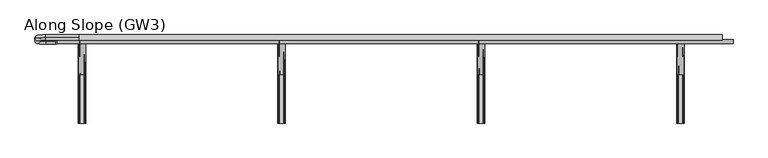
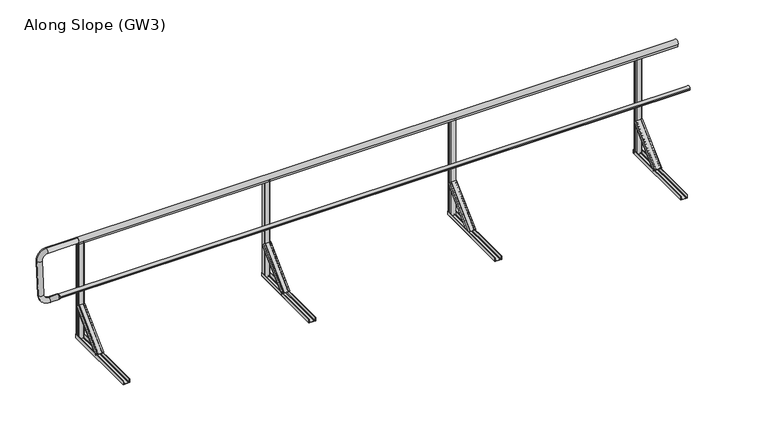
"""IFC4 building model written with IfcOpenShell, lengths in millimetres: railing geometry, Along Slope (GW3)."""

from ifc_helpers import new_model, si_unit, point, frame, frame_2d, origin, origin_with_axes, place, context, project, spatial, polyline, circle_curve, ellipse_curve, trimmed, segment, composite_curve, outline, extrude, source, transform, mapped, element, save
from ifc_brep_helpers import plane_surface, cylinder_surface, revolved_surface, extruded_surface, advanced_brep


def along_slope_gw3_0c4a8697(model_context):
    return source(origin(), model_context, "Body", "SolidModel", [
        extrude(outline(composite_curve([segment(polyline([(3634.3333333, 800.0), (3680.3333333, 800.0)]), True, "CONTINUOUS"), segment(trimmed(circle_curve(frame_2d((3680.3333333, 795.0)), 5.0), [point((3680.3333333, 800.0))], [point((3685.3333333, 795.0))], False, "CARTESIAN"), True, "CONTINUOUS"), segment(polyline([(3685.3333333, 795.0), (3685.3333333, 767.0)]), True, "CONTINUOUS"), segment(trimmed(circle_curve(frame_2d((3680.3333333, 767.0)), 5.0), [point((3685.3333333, 767.0))], [point((3680.3333333, 762.0))], False, "CARTESIAN"), True, "CONTINUOUS"), segment(polyline([(3680.3333333, 762.0), (3634.3333333, 762.0)]), True, "CONTINUOUS"), segment(trimmed(circle_curve(frame_2d((3634.3333333, 767.0)), 5.0), [point((3634.3333333, 762.0))], [point((3629.3333333, 767.0))], False, "CARTESIAN"), True, "CONTINUOUS"), segment(polyline([(3629.3333333, 767.0), (3629.3333333, 795.0)]), True, "CONTINUOUS"), segment(trimmed(circle_curve(frame_2d((3634.3333333, 795.0)), 5.0), [point((3629.3333333, 795.0))], [point((3634.3333333, 800.0))], False, "CARTESIAN"), True, "CONTINUOUS")], self_intersect=False)), frame((0.0, 0.0, 1e-07), z_axis=(0.0, 0.0, 1.0), x_axis=(1.0, 0.0, 0.0)), (0.0, 0.0, 1.0), 998.0),
        advanced_brep(
        [(3692.8333333, 443.7912606, 38.0000001), (3627.8333333, 443.7912606, 38.0000001), (3627.8333333, 469.6006581, 12.1906026), (3630.8333333, 469.6006581, 12.1906026), (3630.8333333, 445.9125809, 35.8786797), (3640.8333333, 445.9125809, 35.8786797), (3640.8333333, 447.6803479, 34.1109128), (3641.8333333, 447.6803479, 34.1109128), (3641.8333333, 445.9125809, 35.8786797), (3678.8333333, 445.9125809, 35.8786797), (3678.8333333, 447.6803479, 34.1109128), (3679.8333333, 447.6803479, 34.1109128), (3679.8333333, 445.9125809, 35.8786797), (3689.8333333, 445.9125809, 35.8786797), (3689.8333333, 469.6006581, 12.1906026), (3692.8333333, 469.6006581, 12.1906026), (3689.8333333, 761.9893121, 356.1980516), (3689.8333333, 787.7987096, 330.3886541), (3686.8333333, 787.7987096, 330.3886541), (3686.8333333, 764.1106324, 354.0767313), (3676.8333333, 764.1106324, 354.0767313), (3676.8333333, 765.8783994, 352.3089643), (3675.8333333, 765.8783994, 352.3089643), (3675.8333333, 764.1106324, 354.0767313), (3638.8333333, 764.1106324, 354.0767313), (3638.8333333, 765.8783994, 352.3089643), (3637.8333333, 765.8783994, 352.3089643), (3637.8333333, 764.1106324, 354.0767313), (3627.8333333, 764.1106324, 354.0767313), (3627.8333333, 787.7987096, 330.3886541), (3624.8333333, 787.7987096, 330.3886541), (3624.8333333, 761.9893121, 356.1980516)],
        [
            (0, 1),
            (1, 2),
            (2, 3, circle_curve(frame((3629.3333333, 469.6006581, 12.1906026), z_axis=(0.0, -0.7071067811865529, -0.7071067811865422), x_axis=(0.0, 0.7071067811865422, -0.7071067811865529)), 1.5)),
            (3, 4),
            (4, 5),
            (5, 6),
            (6, 7, circle_curve(frame((3641.3333333, 447.6803479, 34.1109128), z_axis=(0.0, -0.7071067811865529, -0.7071067811865422), x_axis=(0.0, 0.7071067811865422, -0.7071067811865529)), 0.5)),
            (7, 8),
            (8, 9),
            (9, 10),
            (10, 11, circle_curve(frame((3679.3333333, 447.6803479, 34.1109128), z_axis=(0.0, -0.7071067811865529, -0.7071067811865422), x_axis=(0.0, 0.7071067811865422, -0.7071067811865529)), 0.5)),
            (11, 12),
            (12, 13),
            (13, 14),
            (14, 15, circle_curve(frame((3691.3333333, 469.6006581, 12.1906026), z_axis=(0.0, -0.7071067811865529, -0.7071067811865422), x_axis=(0.0, 0.7071067811865422, -0.7071067811865529)), 1.5)),
            (15, 0),
            (16, 17),
            (17, 18, circle_curve(frame((3688.3333333, 787.7987096, 330.3886541), z_axis=(0.0, 0.7071067811865529, 0.7071067811865422), x_axis=(0.0, 0.7071067811865422, -0.7071067811865529)), 1.5)),
            (18, 19),
            (19, 20),
            (20, 21),
            (21, 22, circle_curve(frame((3676.3333333, 765.8783994, 352.3089643), z_axis=(0.0, 0.7071067811865529, 0.7071067811865422), x_axis=(0.0, 0.7071067811865422, -0.7071067811865529)), 0.5)),
            (22, 23),
            (23, 24),
            (24, 25),
            (25, 26, circle_curve(frame((3638.3333333, 765.8783994, 352.3089643), z_axis=(0.0, 0.7071067811865529, 0.7071067811865422), x_axis=(0.0, 0.7071067811865422, -0.7071067811865529)), 0.5)),
            (26, 27),
            (27, 28),
            (28, 29),
            (29, 30, circle_curve(frame((3626.3333333, 787.7987096, 330.3886541), z_axis=(0.0, 0.7071067811865529, 0.7071067811865422), x_axis=(0.0, 0.7071067811865422, -0.7071067811865529)), 1.5)),
            (30, 31),
            (31, 16),
            (16, 0),
            (15, 17),
            (14, 18),
            (13, 19),
            (12, 20),
            (11, 21),
            (10, 22),
            (9, 23),
            (8, 24),
            (7, 25),
            (6, 26),
            (5, 27),
            (4, 28),
            (3, 29),
            (2, 30),
            (1, 31),
        ],
        [
            plane_surface(frame((3660.3333333, 452.0113769, 29.7798837), z_axis=(0.0, -0.7071067811865528, -0.7071067811865424), x_axis=(0.0, 0.7071067811865424, -0.7071067811865528))),
            plane_surface(frame((3657.3333333, 770.2094284, 347.9779353), z_axis=(0.0, 0.7071067811865528, 0.7071067811865422), x_axis=(0.0, 0.7071067811865422, -0.7071067811865528))),
            plane_surface(frame((3689.8333333, 774.8940109, 343.2933529), z_axis=(0.9999777785184911, 0.004713940454846682, 0.004713940454842173), x_axis=(0.0, 0.7071067811865424, -0.7071067811865528))),
            extruded_surface(trimmed(circle_curve(frame((3691.3333333, 469.6006581, 12.1906026), z_axis=(0.0, 0.7071067811865529, 0.7071067811865422), x_axis=(0.0, 0.7071067811865422, -0.7071067811865529)), 1.5), [point((3692.8333333, 469.6006581, 12.1906026))], [point((3689.8333333, 469.6006581, 12.1906026))], True, "CARTESIAN"), (-3.0, 318.1980515000001, 318.1980515), 450.0099998408851),
            plane_surface(frame((3686.8333333, 775.954671, 342.2326927), z_axis=(-0.9999777785184913, -0.004713940454846682, -0.004713940454842174), x_axis=(0.0, -0.7071067811865425, 0.7071067811865528))),
            plane_surface(frame((3681.8333333, 764.1106324, 354.0767313), z_axis=(0.0, 0.7071067811865427, -0.7071067811865523), x_axis=(-1.0, 0.0, 0.0))),
            plane_surface(frame((3676.8333333, 764.9945159, 353.1928478), z_axis=(0.9999777785184911, 0.0047139404548466575, 0.0047139404548422), x_axis=(0.0, 0.7071067811865461, -0.7071067811865489))),
            extruded_surface(trimmed(circle_curve(frame((3679.3333333, 447.6803479, 34.1109128), z_axis=(0.0, 0.7071067811865529, 0.7071067811865422), x_axis=(0.0, 0.7071067811865422, -0.7071067811865529)), 0.5), [point((3679.8333333, 447.6803479, 34.1109128))], [point((3678.8333333, 447.6803479, 34.1109128))], True, "CARTESIAN"), (-3.0, 318.1980515, 318.1980515), 450.00999984088503),
            plane_surface(frame((3675.8333333, 764.9945159, 353.1928478), z_axis=(-0.9999777785184911, -0.004713940454846672, -0.004713940454842214), x_axis=(0.0, -0.7071067811865461, 0.7071067811865489))),
            plane_surface(frame((3657.3333333, 764.1106324, 354.0767313), z_axis=(0.0, 0.7071067811865427, -0.7071067811865523), x_axis=(-1.0, 0.0, 0.0))),
            plane_surface(frame((3638.8333333, 764.9945159, 353.1928478), z_axis=(0.9999777785184911, 0.0047139404548466645, 0.004713940454842207), x_axis=(0.0, 0.7071067811865461, -0.7071067811865489))),
            extruded_surface(trimmed(circle_curve(frame((3641.3333333, 447.6803479, 34.1109128), z_axis=(0.0, 0.7071067811865529, 0.7071067811865422), x_axis=(0.0, 0.7071067811865422, -0.7071067811865529)), 0.5), [point((3641.8333333, 447.6803479, 34.1109128))], [point((3640.8333333, 447.6803479, 34.1109128))], True, "CARTESIAN"), (-3.0, 318.1980515, 318.1980515), 450.00999984088503),
            plane_surface(frame((3637.8333333, 764.9945159, 353.1928478), z_axis=(-0.9999777785184911, -0.004713940454846691, -0.004713940454842178), x_axis=(0.0, -0.7071067811865419, 0.7071067811865531))),
            plane_surface(frame((3632.8333333, 764.1106324, 354.0767313), z_axis=(0.0, 0.7071067811865425, -0.7071067811865526), x_axis=(-1.0, 0.0, 0.0))),
            plane_surface(frame((3627.8333333, 775.954671, 342.2326927), z_axis=(0.9999777785184913, 0.00471394045484669, 0.004713940454842181), x_axis=(0.0, 0.7071067811865425, -0.7071067811865528))),
            extruded_surface(trimmed(circle_curve(frame((3629.3333333, 469.6006581, 12.1906026), z_axis=(0.0, 0.7071067811865529, 0.7071067811865422), x_axis=(0.0, 0.7071067811865422, -0.7071067811865529)), 1.5), [point((3630.8333333, 469.6006581, 12.1906026))], [point((3627.8333333, 469.6006581, 12.1906026))], True, "CARTESIAN"), (-3.0, 318.1980515000001, 318.1980515), 450.0099998408851),
            plane_surface(frame((3624.8333333, 774.8940109, 343.2933529), z_axis=(-0.9999777785184911, -0.0047139404548466905, -0.004713940454842179), x_axis=(0.0, -0.7071067811865421, 0.7071067811865529))),
            plane_surface(frame((3657.3333333, 761.9893121, 356.1980516), z_axis=(0.0, -0.707106781186543, 0.707106781186552), x_axis=(1.0, 0.0, 0.0))),
        ],
        [
            (0, [[1, 2, 3, 4, 5, 6, 7, 8, 9, 10, 11, 12, 13, 14, 15, 16]]),
            (1, [[17, 18, 19, 20, 21, 22, 23, 24, 25, 26, 27, 28, 29, 30, 31, 32]]),
            (2, [[33, -16, 34, -17]]),
            (3, [[-34, -15, 35, -18]]),
            (4, [[-35, -14, 36, -19]]),
            (5, [[-36, -13, 37, -20]]),
            (6, [[-37, -12, 38, -21]]),
            (7, [[-38, -11, 39, -22]]),
            (8, [[-39, -10, 40, -23]]),
            (9, [[-40, -9, 41, -24]]),
            (10, [[-41, -8, 42, -25]]),
            (11, [[-42, -7, 43, -26]]),
            (12, [[-43, -6, 44, -27]]),
            (13, [[-44, -5, 45, -28]]),
            (14, [[-45, -4, 46, -29]]),
            (15, [[-46, -3, 47, -30]]),
            (16, [[-47, -2, 48, -31]]),
            (17, [[-48, -1, -33, -32]]),
        ],
    ),
        extrude(outline(composite_curve([segment(polyline([(1e-07, 3689.8333333), (36.5000001, 3689.8333333)]), True, "CONTINUOUS"), segment(trimmed(circle_curve(frame_2d((36.5000001, 3688.3333333)), 1.5), [point((36.5000001, 3689.8333333))], [point((36.5000001, 3686.8333333))], False, "CARTESIAN"), True, "CONTINUOUS"), segment(polyline([(36.5000001, 3686.8333333), (3.0000001, 3686.8333333), (3.0000001, 3676.8333333), (5.5000001, 3676.8333333)]), True, "CONTINUOUS"), segment(trimmed(circle_curve(frame_2d((5.5000001, 3676.3333333)), 0.5), [point((5.5000001, 3676.8333333))], [point((5.5000001, 3675.8333333))], False, "CARTESIAN"), True, "CONTINUOUS"), segment(polyline([(5.5000001, 3675.8333333), (3.0000001, 3675.8333333), (3.0000001, 3638.8333333), (5.5000001, 3638.8333333)]), True, "CONTINUOUS"), segment(trimmed(circle_curve(frame_2d((5.5000001, 3638.3333333)), 0.5), [point((5.5000001, 3638.8333333))], [point((5.5000001, 3637.8333333))], False, "CARTESIAN"), True, "CONTINUOUS"), segment(polyline([(5.5000001, 3637.8333333), (3.0000001, 3637.8333333), (3.0000001, 3627.8333333), (36.5000001, 3627.8333333)]), True, "CONTINUOUS"), segment(trimmed(circle_curve(frame_2d((36.5000001, 3626.3333333)), 1.5), [point((36.5000001, 3627.8333333))], [point((36.5000001, 3624.8333333))], False, "CARTESIAN"), True, "CONTINUOUS"), segment(polyline([(36.5000001, 3624.8333333), (1e-07, 3624.8333333), (1e-07, 3689.8333333)]), True, "CONTINUOUS")], self_intersect=False)), frame((0.0, 0.0, 0.0), z_axis=(0.0, 1.0, 0.0), x_axis=(0.0, 0.0, 1.0)), (0.0, 0.0, 1.0), 800.0),
        extrude(outline(composite_curve([segment(polyline([(1819.6666667, 800.0), (1865.6666667, 800.0)]), True, "CONTINUOUS"), segment(trimmed(circle_curve(frame_2d((1865.6666667, 795.0)), 5.0), [point((1865.6666667, 800.0))], [point((1870.6666667, 795.0))], False, "CARTESIAN"), True, "CONTINUOUS"), segment(polyline([(1870.6666667, 795.0), (1870.6666667, 767.0)]), True, "CONTINUOUS"), segment(trimmed(circle_curve(frame_2d((1865.6666667, 767.0)), 5.0), [point((1870.6666667, 767.0))], [point((1865.6666667, 762.0))], False, "CARTESIAN"), True, "CONTINUOUS"), segment(polyline([(1865.6666667, 762.0), (1819.6666667, 762.0)]), True, "CONTINUOUS"), segment(trimmed(circle_curve(frame_2d((1819.6666667, 767.0)), 5.0), [point((1819.6666667, 762.0))], [point((1814.6666667, 767.0))], False, "CARTESIAN"), True, "CONTINUOUS"), segment(polyline([(1814.6666667, 767.0), (1814.6666667, 795.0)]), True, "CONTINUOUS"), segment(trimmed(circle_curve(frame_2d((1819.6666667, 795.0)), 5.0), [point((1814.6666667, 795.0))], [point((1819.6666667, 800.0))], False, "CARTESIAN"), True, "CONTINUOUS")], self_intersect=False)), origin_with_axes(), (0.0, 0.0, 1.0), 998.0),
        advanced_brep(
        [(1878.1666667, 443.7912606, 38.0), (1813.1666667, 443.7912606, 38.0), (1813.1666667, 469.6006581, 12.1906025), (1816.1666667, 469.6006581, 12.1906025), (1816.1666667, 445.9125809, 35.8786797), (1826.1666667, 445.9125809, 35.8786797), (1826.1666667, 447.6803479, 34.1109127), (1827.1666667, 447.6803479, 34.1109127), (1827.1666667, 445.9125809, 35.8786797), (1864.1666667, 445.9125809, 35.8786797), (1864.1666667, 447.6803479, 34.1109127), (1865.1666667, 447.6803479, 34.1109127), (1865.1666667, 445.9125809, 35.8786797), (1875.1666667, 445.9125809, 35.8786797), (1875.1666667, 469.6006581, 12.1906025), (1878.1666667, 469.6006581, 12.1906025), (1875.1666667, 761.9893121, 356.1980516), (1875.1666667, 787.7987096, 330.3886541), (1872.1666667, 787.7987096, 330.3886541), (1872.1666667, 764.1106324, 354.0767312), (1862.1666667, 764.1106324, 354.0767312), (1862.1666667, 765.8783994, 352.3089643), (1861.1666667, 765.8783994, 352.3089643), (1861.1666667, 764.1106324, 354.0767312), (1824.1666667, 764.1106324, 354.0767312), (1824.1666667, 765.8783994, 352.3089643), (1823.1666667, 765.8783994, 352.3089643), (1823.1666667, 764.1106324, 354.0767312), (1813.1666667, 764.1106324, 354.0767312), (1813.1666667, 787.7987096, 330.3886541), (1810.1666667, 787.7987096, 330.3886541), (1810.1666667, 761.9893121, 356.1980516)],
        [
            (0, 1),
            (1, 2),
            (2, 3, circle_curve(frame((1814.6666667, 469.6006581, 12.1906025), z_axis=(0.0, -0.7071067811865529, -0.7071067811865422), x_axis=(0.0, 0.7071067811865422, -0.7071067811865529)), 1.5)),
            (3, 4),
            (4, 5),
            (5, 6),
            (6, 7, circle_curve(frame((1826.6666667, 447.6803479, 34.1109127), z_axis=(0.0, -0.7071067811865529, -0.7071067811865422), x_axis=(0.0, 0.7071067811865422, -0.7071067811865529)), 0.5)),
            (7, 8),
            (8, 9),
            (9, 10),
            (10, 11, circle_curve(frame((1864.6666667, 447.6803479, 34.1109127), z_axis=(0.0, -0.7071067811865529, -0.7071067811865422), x_axis=(0.0, 0.7071067811865422, -0.7071067811865529)), 0.5)),
            (11, 12),
            (12, 13),
            (13, 14),
            (14, 15, circle_curve(frame((1876.6666667, 469.6006581, 12.1906025), z_axis=(0.0, -0.7071067811865529, -0.7071067811865422), x_axis=(0.0, 0.7071067811865422, -0.7071067811865529)), 1.5)),
            (15, 0),
            (16, 17),
            (17, 18, circle_curve(frame((1873.6666667, 787.7987096, 330.3886541), z_axis=(0.0, 0.7071067811865529, 0.7071067811865422), x_axis=(0.0, 0.7071067811865422, -0.7071067811865529)), 1.5)),
            (18, 19),
            (19, 20),
            (20, 21),
            (21, 22, circle_curve(frame((1861.6666667, 765.8783994, 352.3089643), z_axis=(0.0, 0.7071067811865529, 0.7071067811865422), x_axis=(0.0, 0.7071067811865422, -0.7071067811865529)), 0.5)),
            (22, 23),
            (23, 24),
            (24, 25),
            (25, 26, circle_curve(frame((1823.6666667, 765.8783994, 352.3089643), z_axis=(0.0, 0.7071067811865529, 0.7071067811865422), x_axis=(0.0, 0.7071067811865422, -0.7071067811865529)), 0.5)),
            (26, 27),
            (27, 28),
            (28, 29),
            (29, 30, circle_curve(frame((1811.6666667, 787.7987096, 330.3886541), z_axis=(0.0, 0.7071067811865529, 0.7071067811865422), x_axis=(0.0, 0.7071067811865422, -0.7071067811865529)), 1.5)),
            (30, 31),
            (31, 16),
            (16, 0),
            (15, 17),
            (14, 18),
            (13, 19),
            (12, 20),
            (11, 21),
            (10, 22),
            (9, 23),
            (8, 24),
            (7, 25),
            (6, 26),
            (5, 27),
            (4, 28),
            (3, 29),
            (2, 30),
            (1, 31),
        ],
        [
            plane_surface(frame((1845.6666667, 452.0113769, 29.7798837), z_axis=(0.0, -0.7071067811865528, -0.7071067811865424), x_axis=(0.0, 0.7071067811865424, -0.7071067811865528))),
            plane_surface(frame((1842.6666667, 770.2094284, 347.9779352), z_axis=(0.0, 0.7071067811865528, 0.7071067811865422), x_axis=(0.0, 0.7071067811865422, -0.7071067811865528))),
            plane_surface(frame((1875.1666667, 774.8940109, 343.2933528), z_axis=(0.9999777785184911, 0.004713940454846682, 0.004713940454842173), x_axis=(0.0, 0.7071067811865424, -0.7071067811865528))),
            extruded_surface(trimmed(circle_curve(frame((1876.6666667, 469.6006581, 12.1906025), z_axis=(0.0, 0.7071067811865529, 0.7071067811865422), x_axis=(0.0, 0.7071067811865422, -0.7071067811865529)), 1.5), [point((1878.1666667, 469.6006581, 12.1906025))], [point((1875.1666667, 469.6006581, 12.1906025))], True, "CARTESIAN"), (-3.0, 318.1980515000001, 318.1980516), 450.00999991159415),
            plane_surface(frame((1872.1666667, 775.954671, 342.2326927), z_axis=(-0.9999777785184913, -0.004713940454846682, -0.004713940454842174), x_axis=(0.0, -0.7071067811865425, 0.7071067811865528))),
            plane_surface(frame((1867.1666667, 764.1106324, 354.0767312), z_axis=(0.0, 0.7071067811865427, -0.7071067811865523), x_axis=(-1.0, 0.0, 0.0))),
            plane_surface(frame((1862.1666667, 764.9945159, 353.1928478), z_axis=(0.9999777785184911, 0.0047139404548466575, 0.0047139404548422), x_axis=(0.0, 0.7071067811865461, -0.7071067811865489))),
            extruded_surface(trimmed(circle_curve(frame((1864.6666667, 447.6803479, 34.1109127), z_axis=(0.0, 0.7071067811865529, 0.7071067811865422), x_axis=(0.0, 0.7071067811865422, -0.7071067811865529)), 0.5), [point((1865.1666667, 447.6803479, 34.1109127))], [point((1864.1666667, 447.6803479, 34.1109127))], True, "CARTESIAN"), (-3.0, 318.1980515, 318.1980516), 450.0099999115941),
            plane_surface(frame((1861.1666667, 764.9945159, 353.1928478), z_axis=(-0.9999777785184911, -0.004713940454846672, -0.004713940454842214), x_axis=(0.0, -0.7071067811865461, 0.7071067811865489))),
            plane_surface(frame((1842.6666667, 764.1106324, 354.0767312), z_axis=(0.0, 0.7071067811865427, -0.7071067811865523), x_axis=(-1.0, 0.0, 0.0))),
            plane_surface(frame((1824.1666667, 764.9945159, 353.1928478), z_axis=(0.9999777785184911, 0.0047139404548466645, 0.004713940454842207), x_axis=(0.0, 0.7071067811865461, -0.7071067811865489))),
            extruded_surface(trimmed(circle_curve(frame((1826.6666667, 447.6803479, 34.1109127), z_axis=(0.0, 0.7071067811865529, 0.7071067811865422), x_axis=(0.0, 0.7071067811865422, -0.7071067811865529)), 0.5), [point((1827.1666667, 447.6803479, 34.1109127))], [point((1826.1666667, 447.6803479, 34.1109127))], True, "CARTESIAN"), (-3.0, 318.1980515, 318.1980516), 450.0099999115941),
            plane_surface(frame((1823.1666667, 764.9945159, 353.1928478), z_axis=(-0.9999777785184911, -0.004713940454846691, -0.004713940454842178), x_axis=(0.0, -0.7071067811865419, 0.7071067811865531))),
            plane_surface(frame((1818.1666667, 764.1106324, 354.0767312), z_axis=(0.0, 0.7071067811865425, -0.7071067811865526), x_axis=(-1.0, 0.0, 0.0))),
            plane_surface(frame((1813.1666667, 775.954671, 342.2326927), z_axis=(0.9999777785184913, 0.00471394045484669, 0.004713940454842181), x_axis=(0.0, 0.7071067811865425, -0.7071067811865528))),
            extruded_surface(trimmed(circle_curve(frame((1814.6666667, 469.6006581, 12.1906025), z_axis=(0.0, 0.7071067811865529, 0.7071067811865422), x_axis=(0.0, 0.7071067811865422, -0.7071067811865529)), 1.5), [point((1816.1666667, 469.6006581, 12.1906025))], [point((1813.1666667, 469.6006581, 12.1906025))], True, "CARTESIAN"), (-3.0, 318.1980515000001, 318.1980516), 450.00999991159415),
            plane_surface(frame((1810.1666667, 774.8940109, 343.2933528), z_axis=(-0.9999777785184911, -0.0047139404548466905, -0.004713940454842179), x_axis=(0.0, -0.7071067811865421, 0.7071067811865529))),
            plane_surface(frame((1842.6666667, 761.9893121, 356.1980516), z_axis=(0.0, -0.707106781186543, 0.707106781186552), x_axis=(1.0, 0.0, 0.0))),
        ],
        [
            (0, [[1, 2, 3, 4, 5, 6, 7, 8, 9, 10, 11, 12, 13, 14, 15, 16]]),
            (1, [[17, 18, 19, 20, 21, 22, 23, 24, 25, 26, 27, 28, 29, 30, 31, 32]]),
            (2, [[33, -16, 34, -17]]),
            (3, [[-34, -15, 35, -18]]),
            (4, [[-35, -14, 36, -19]]),
            (5, [[-36, -13, 37, -20]]),
            (6, [[-37, -12, 38, -21]]),
            (7, [[-38, -11, 39, -22]]),
            (8, [[-39, -10, 40, -23]]),
            (9, [[-40, -9, 41, -24]]),
            (10, [[-41, -8, 42, -25]]),
            (11, [[-42, -7, 43, -26]]),
            (12, [[-43, -6, 44, -27]]),
            (13, [[-44, -5, 45, -28]]),
            (14, [[-45, -4, 46, -29]]),
            (15, [[-46, -3, 47, -30]]),
            (16, [[-47, -2, 48, -31]]),
            (17, [[-48, -1, -33, -32]]),
        ],
    ),
        extrude(outline(composite_curve([segment(polyline([(0.0, 1875.1666667), (36.5, 1875.1666667)]), True, "CONTINUOUS"), segment(trimmed(circle_curve(frame_2d((36.5, 1873.6666667)), 1.5), [point((36.5, 1875.1666667))], [point((36.5, 1872.1666667))], False, "CARTESIAN"), True, "CONTINUOUS"), segment(polyline([(36.5, 1872.1666667), (3.0, 1872.1666667), (3.0, 1862.1666667), (5.5, 1862.1666667)]), True, "CONTINUOUS"), segment(trimmed(circle_curve(frame_2d((5.5, 1861.6666667)), 0.5), [point((5.5, 1862.1666667))], [point((5.5, 1861.1666667))], False, "CARTESIAN"), True, "CONTINUOUS"), segment(polyline([(5.5, 1861.1666667), (3.0, 1861.1666667), (3.0, 1824.1666667), (5.5, 1824.1666667)]), True, "CONTINUOUS"), segment(trimmed(circle_curve(frame_2d((5.5, 1823.6666667)), 0.5), [point((5.5, 1824.1666667))], [point((5.5, 1823.1666667))], False, "CARTESIAN"), True, "CONTINUOUS"), segment(polyline([(5.5, 1823.1666667), (3.0, 1823.1666667), (3.0, 1813.1666667), (36.5, 1813.1666667)]), True, "CONTINUOUS"), segment(trimmed(circle_curve(frame_2d((36.5, 1811.6666667)), 1.5), [point((36.5, 1813.1666667))], [point((36.5, 1810.1666667))], False, "CARTESIAN"), True, "CONTINUOUS"), segment(polyline([(36.5, 1810.1666667), (0.0, 1810.1666667), (0.0, 1875.1666667)]), True, "CONTINUOUS")], self_intersect=False)), frame((0.0, 0.0, 0.0), z_axis=(0.0, 1.0, 0.0), x_axis=(0.0, 0.0, 1.0)), (0.0, 0.0, 1.0), 800.0),
        advanced_brep(
        [(-200.0, 746.3, 508.0), (-200.0, 746.3, 548.0), (-210.0, 746.3, 503.0), (-210.0, 746.3, 553.0)],
        [
            (0, 1, circle_curve(frame((-200.0, 746.3, 528.0), z_axis=(1.0, 0.0, 0.0), x_axis=(0.0, 0.0, 1.0)), 20.0)),
            (1, 0, circle_curve(frame((-200.0, 746.3, 528.0), z_axis=(1.0, 0.0, 0.0), x_axis=(0.0, 0.0, -1.0)), 20.0)),
            (2, 3, circle_curve(frame((-210.0, 746.3, 528.0), z_axis=(-1.0, 0.0, 0.0), x_axis=(0.0, 0.0, -1.0)), 25.0)),
            (3, 2, circle_curve(frame((-210.0, 746.3, 528.0), z_axis=(-1.0, 0.0, 0.0), x_axis=(0.0, 0.0, 1.0)), 25.0)),
            (2, 0),
            (1, 3),
        ],
        [
            plane_surface(frame((-200.0, 746.3, 528.0), z_axis=(1.0, 0.0, 0.0), x_axis=(0.0, -1.0, 0.0))),
            plane_surface(frame((-210.0, 746.3, 528.0), z_axis=(-1.0, 0.0, 0.0), x_axis=(0.0, -1.0, 0.0))),
            revolved_surface(polyline([(-200.0, 746.3, 508.0), (-210.0, 746.3, 503.0)]), (-160.0, 746.3, 528.0), (-1.0, 0.0, 0.0)),
            revolved_surface(polyline([(-200.0, 746.3, 548.0), (-210.0, 746.3, 553.0)]), (-160.0, 746.3, 528.0), (-1.0, 0.0, 0.0)),
        ],
        [
            (0, [[1, 2]]),
            (1, [[3, 4]]),
            (2, [[5, -2, 6, -3]]),
            (3, [[-6, -1, -5, -4]]),
        ],
    ),
        advanced_brep(
        [(0.0, 782.7768095, 1039.936779), (0.0, 779.2231905, 990.063221), (-300.0, 779.2231905, 990.063221), (-300.0, 782.7768095, 1039.936779), (-350.0, 775.6695715, 940.1896629), (-400.0, 775.6695715, 940.1896629), (-350.0, 751.6399996, 602.9446635), (-400.0, 751.6399996, 602.9446635), (-300.0, 748.0863806, 553.0711054), (-300.0, 744.5327616, 503.1975474), (-210.0, 744.5327616, 503.1975474), (-210.0, 748.0863806, 553.0711054)],
        [
            (0, 1, circle_curve(frame((0.0, 781.0, 1015.0), z_axis=(1.0, 0.0, 0.0), x_axis=(0.0, -0.07107238045511574, -0.9974711608545098)), 25.0)),
            (1, 0, circle_curve(frame((0.0, 781.0, 1015.0), z_axis=(1.0, 0.0, 0.0), x_axis=(0.0, -0.07107238045511574, -0.9974711608545098)), 25.0)),
            (1, 2),
            (2, 3, circle_curve(frame((-300.0, 781.0, 1015.0), z_axis=(1.0, 0.0, 0.0), x_axis=(0.0, -0.07107238045511574, -0.9974711608545098)), 25.0)),
            (3, 0),
            (3, 2, circle_curve(frame((-300.0, 781.0, 1015.0), z_axis=(1.0, 0.0, 0.0), x_axis=(0.0, -0.07107238045511574, -0.9974711608545098)), 25.0)),
            (4, 5, circle_curve(frame((-375.0, 775.6695715, 940.1896629), z_axis=(0.0, 0.07107238045511574, 0.9974711608545098), x_axis=(1.0000000000000002, 0.0, 0.0)), 25.0)),
            (5, 3, circle_curve(frame((-300.0, 775.6695715, 940.1896629), z_axis=(0.0, 0.9974711608545098, -0.07107238045511574), x_axis=(0.0, 0.07107238045511574, 0.9974711608545098)), 100.0)),
            (2, 4, circle_curve(frame((-300.0, 775.6695715, 940.1896629), z_axis=(0.0, -0.9974711608545098, 0.07107238045511574), x_axis=(0.0, 0.07107238045511574, 0.9974711608545098)), 50.0)),
            (5, 4, circle_curve(frame((-375.0, 775.6695715, 940.1896629), z_axis=(0.0, 0.07107238045511574, 0.9974711608545098), x_axis=(1.0000000000000002, 0.0, 0.0)), 25.0)),
            (4, 6),
            (6, 7, circle_curve(frame((-375.0, 751.6399996, 602.9446635), z_axis=(0.0, 0.07107238045511577, 0.9974711608545099), x_axis=(1.0, 0.0, 0.0)), 25.0)),
            (7, 5),
            (7, 6, circle_curve(frame((-375.0, 751.6399996, 602.9446635), z_axis=(0.0, 0.07107238045511577, 0.9974711608545099), x_axis=(1.0, 0.0, 0.0)), 25.0)),
            (8, 9, circle_curve(frame((-300.0, 746.3095711, 528.1343264), z_axis=(-1.0, 0.0, 0.0), x_axis=(0.0, 0.07107238045511576, 0.9974711608545098)), 25.0)),
            (9, 7, circle_curve(frame((-300.0, 751.6399996, 602.9446635), z_axis=(0.0, 0.9974711608545098, -0.07107238045511574), x_axis=(-1.0, 0.0, 0.0)), 100.0)),
            (6, 8, circle_curve(frame((-300.0, 751.6399996, 602.9446635), z_axis=(0.0, -0.9974711608545098, 0.07107238045511574), x_axis=(-1.0, 0.0, 0.0)), 50.0)),
            (9, 8, circle_curve(frame((-300.0, 746.3095711, 528.1343264), z_axis=(-1.0, 0.0, 0.0), x_axis=(0.0, 0.07107238045511576, 0.9974711608545098)), 25.0)),
            (10, 11, circle_curve(frame((-210.0, 746.3095711, 528.1343264), z_axis=(1.0, 0.0, 0.0), x_axis=(0.0, 0.07107238045511574, 0.9974711608545098)), 25.0)),
            (11, 10, circle_curve(frame((-210.0, 746.3095711, 528.1343264), z_axis=(1.0, 0.0, 0.0), x_axis=(0.0, 0.07107238045511574, 0.9974711608545098)), 25.0)),
            (8, 11),
            (10, 9),
        ],
        [
            plane_surface(frame((0.0, 782.7768095, 1039.936779), z_axis=(1.0, 0.0, 0.0), x_axis=(0.0, 0.9974711608545098, -0.07107238045511574))),
            cylinder_surface(frame((0.0, 781.0, 1015.0), z_axis=(1.0000000000000002, 0.0, 0.0), x_axis=(0.0, -0.07107238045511574, -0.9974711608545098)), 25.0),
            revolved_surface(trimmed(ellipse_curve(frame((-300.0, 781.0, 1015.0), z_axis=(-1.0000000000000002, 0.0, 0.0), x_axis=(0.0, -0.07107238045511574, -0.9974711608545098)), 25.0, 25.0), [point((-300.0, 782.7768095, 1039.936779))], [point((-300.0, 779.2231905, 990.063221))], True, "CARTESIAN"), (-300.0, 775.6695715, 940.1896629), (0.0, 0.9974711608545098, -0.07107238045511574)),
            revolved_surface(trimmed(ellipse_curve(frame((-300.0, 781.0, 1015.0), z_axis=(-1.0000000000000002, 0.0, 0.0), x_axis=(0.0, -0.07107238045511574, -0.9974711608545098)), 25.0, 25.0), [point((-300.0, 779.2231905, 990.063221))], [point((-300.0, 782.7768095, 1039.936779))], True, "CARTESIAN"), (-300.0, 775.6695715, 940.1896629), (0.0, 0.9974711608545098, -0.07107238045511574)),
            cylinder_surface(frame((-375.0, 775.6695715, 940.1896629), z_axis=(0.0, 0.07107238045511576, 0.9974711608545097), x_axis=(1.0, 0.0, 0.0)), 25.0),
            revolved_surface(trimmed(ellipse_curve(frame((-375.0, 751.6399996, 602.9446635), z_axis=(0.0, -0.07107238045511577, -0.9974711608545098), x_axis=(1.0, 0.0, 0.0)), 25.0, 25.0), [point((-400.0, 751.6399996, 602.9446635))], [point((-350.0, 751.6399996, 602.9446635))], True, "CARTESIAN"), (-300.0, 751.6399996, 602.9446635), (0.0, 0.9974711608545098, -0.07107238045511574)),
            revolved_surface(trimmed(ellipse_curve(frame((-375.0, 751.6399996, 602.9446635), z_axis=(0.0, -0.07107238045511577, -0.9974711608545098), x_axis=(1.0, 0.0, 0.0)), 25.0, 25.0), [point((-350.0, 751.6399996, 602.9446635))], [point((-400.0, 751.6399996, 602.9446635))], True, "CARTESIAN"), (-300.0, 751.6399996, 602.9446635), (0.0, 0.9974711608545098, -0.07107238045511574)),
            plane_surface(frame((-210.0, 744.5327616, 503.1975474), z_axis=(1.0, 0.0, 0.0), x_axis=(0.0, 0.9974711608545098, -0.07107238045511574))),
            cylinder_surface(frame((-300.0, 746.3095711, 528.1343264), z_axis=(-1.0, 0.0, 0.0), x_axis=(0.0, 0.07107238045511574, 0.9974711608545098)), 25.0),
        ],
        [
            (0, [[1, 2]]),
            (1, [[3, 4, 5, -2]]),
            (1, [[-5, 6, -3, -1]]),
            (2, [[7, 8, -4, 9]]),
            (3, [[10, -9, -6, -8]]),
            (4, [[11, 12, 13, -7]]),
            (4, [[-13, 14, -11, -10]]),
            (5, [[15, 16, -12, 17]]),
            (6, [[18, -17, -14, -16]]),
            (7, [[19, 20]]),
            (8, [[21, -19, 22, -15]]),
            (8, [[-22, -20, -21, -18]]),
        ],
    ),
        extrude(outline(composite_curve([segment(polyline([(727.7, 520.617273), (731.7, 520.617273), (731.7, 535.382727), (727.7, 535.382727)]), True, "CONTINUOUS"), segment(trimmed(circle_curve(frame_2d((746.287505, 528.0)), 20.0), [point((727.7, 535.382727))], [point((762.0, 540.3740657))], False, "CARTESIAN"), True, "CONTINUOUS"), segment(polyline([(762.0, 540.3740657), (762.0, 515.6259343)]), True, "CONTINUOUS"), segment(trimmed(circle_curve(frame_2d((746.287505, 528.0)), 20.0), [point((762.0, 515.6259343))], [point((727.7, 520.617273))], False, "CARTESIAN"), True, "CONTINUOUS")], self_intersect=False)), frame((-200.0, 0.0, 0.0), z_axis=(1.0, 0.0, 0.0), x_axis=(0.0, 1.0, 0.0)), (0.0, 0.0, 1.0), 6150.0),
        extrude(outline(composite_curve([segment(polyline([(802.0, 1001.43534), (802.0, 983.0), (801.0, 983.0), (801.0, 998.0), (761.0, 998.0), (761.0, 983.0), (760.0, 983.0), (760.0, 1001.43534)]), True, "CONTINUOUS"), segment(trimmed(circle_curve(frame_2d((781.0, 1015.0)), 25.0), [point((760.0, 1001.43534))], [point((802.0, 1001.43534))], False, "CARTESIAN"), True, "CONTINUOUS")], self_intersect=False)), frame((0.0, 0.0, 0.0), z_axis=(1.0, 0.0, 0.0), x_axis=(0.0, 1.0, 0.0)), (0.0, 0.0, 1.0), 5850.0),
        extrude(outline(composite_curve([segment(polyline([(5449.0, 800.0), (5495.0, 800.0)]), True, "CONTINUOUS"), segment(trimmed(circle_curve(frame_2d((5495.0, 795.0)), 5.0), [point((5495.0, 800.0))], [point((5500.0, 795.0))], False, "CARTESIAN"), True, "CONTINUOUS"), segment(polyline([(5500.0, 795.0), (5500.0, 767.0)]), True, "CONTINUOUS"), segment(trimmed(circle_curve(frame_2d((5495.0, 767.0)), 5.0), [point((5500.0, 767.0))], [point((5495.0, 762.0))], False, "CARTESIAN"), True, "CONTINUOUS"), segment(polyline([(5495.0, 762.0), (5449.0, 762.0)]), True, "CONTINUOUS"), segment(trimmed(circle_curve(frame_2d((5449.0, 767.0)), 5.0), [point((5449.0, 762.0))], [point((5444.0, 767.0))], False, "CARTESIAN"), True, "CONTINUOUS"), segment(polyline([(5444.0, 767.0), (5444.0, 795.0)]), True, "CONTINUOUS"), segment(trimmed(circle_curve(frame_2d((5449.0, 795.0)), 5.0), [point((5444.0, 795.0))], [point((5449.0, 800.0))], False, "CARTESIAN"), True, "CONTINUOUS")], self_intersect=False)), origin_with_axes(), (0.0, 0.0, 1.0), 998.0),
        advanced_brep(
        [(5507.5, 443.7912606, 38.0), (5442.5, 443.7912606, 38.0), (5442.5, 469.6006581, 12.1906025), (5445.5, 469.6006581, 12.1906025), (5445.5, 445.9125809, 35.8786797), (5455.5, 445.9125809, 35.8786797), (5455.5, 447.6803479, 34.1109127), (5456.5, 447.6803479, 34.1109127), (5456.5, 445.9125809, 35.8786797), (5493.5, 445.9125809, 35.8786797), (5493.5, 447.6803479, 34.1109127), (5494.5, 447.6803479, 34.1109127), (5494.5, 445.9125809, 35.8786797), (5504.5, 445.9125809, 35.8786797), (5504.5, 469.6006581, 12.1906025), (5507.5, 469.6006581, 12.1906025), (5504.5, 761.9893121, 356.1980516), (5504.5, 787.7987096, 330.3886541), (5501.5, 787.7987096, 330.3886541), (5501.5, 764.1106324, 354.0767312), (5491.5, 764.1106324, 354.0767312), (5491.5, 765.8783994, 352.3089643), (5490.5, 765.8783994, 352.3089643), (5490.5, 764.1106324, 354.0767312), (5453.5, 764.1106324, 354.0767312), (5453.5, 765.8783994, 352.3089643), (5452.5, 765.8783994, 352.3089643), (5452.5, 764.1106324, 354.0767312), (5442.5, 764.1106324, 354.0767312), (5442.5, 787.7987096, 330.3886541), (5439.5, 787.7987096, 330.3886541), (5439.5, 761.9893121, 356.1980516)],
        [
            (0, 1),
            (1, 2),
            (2, 3, circle_curve(frame((5444.0, 469.6006581, 12.1906025), z_axis=(0.0, -0.7071067811865529, -0.7071067811865422), x_axis=(0.0, 0.7071067811865422, -0.7071067811865529)), 1.5)),
            (3, 4),
            (4, 5),
            (5, 6),
            (6, 7, circle_curve(frame((5456.0, 447.6803479, 34.1109127), z_axis=(0.0, -0.7071067811865529, -0.7071067811865422), x_axis=(0.0, 0.7071067811865422, -0.7071067811865529)), 0.5)),
            (7, 8),
            (8, 9),
            (9, 10),
            (10, 11, circle_curve(frame((5494.0, 447.6803479, 34.1109127), z_axis=(0.0, -0.7071067811865529, -0.7071067811865422), x_axis=(0.0, 0.7071067811865422, -0.7071067811865529)), 0.5)),
            (11, 12),
            (12, 13),
            (13, 14),
            (14, 15, circle_curve(frame((5506.0, 469.6006581, 12.1906025), z_axis=(0.0, -0.7071067811865529, -0.7071067811865422), x_axis=(0.0, 0.7071067811865422, -0.7071067811865529)), 1.5)),
            (15, 0),
            (16, 17),
            (17, 18, circle_curve(frame((5503.0, 787.7987096, 330.3886541), z_axis=(0.0, 0.7071067811865529, 0.7071067811865422), x_axis=(0.0, 0.7071067811865422, -0.7071067811865529)), 1.5)),
            (18, 19),
            (19, 20),
            (20, 21),
            (21, 22, circle_curve(frame((5491.0, 765.8783994, 352.3089643), z_axis=(0.0, 0.7071067811865529, 0.7071067811865422), x_axis=(0.0, 0.7071067811865422, -0.7071067811865529)), 0.5)),
            (22, 23),
            (23, 24),
            (24, 25),
            (25, 26, circle_curve(frame((5453.0, 765.8783994, 352.3089643), z_axis=(0.0, 0.7071067811865529, 0.7071067811865422), x_axis=(0.0, 0.7071067811865422, -0.7071067811865529)), 0.5)),
            (26, 27),
            (27, 28),
            (28, 29),
            (29, 30, circle_curve(frame((5441.0, 787.7987096, 330.3886541), z_axis=(0.0, 0.7071067811865529, 0.7071067811865422), x_axis=(0.0, 0.7071067811865422, -0.7071067811865529)), 1.5)),
            (30, 31),
            (31, 16),
            (16, 0),
            (15, 17),
            (14, 18),
            (13, 19),
            (12, 20),
            (11, 21),
            (10, 22),
            (9, 23),
            (8, 24),
            (7, 25),
            (6, 26),
            (5, 27),
            (4, 28),
            (3, 29),
            (2, 30),
            (1, 31),
        ],
        [
            plane_surface(frame((5475.0, 452.0113769, 29.7798837), z_axis=(0.0, -0.7071067811865528, -0.7071067811865424), x_axis=(0.0, 0.7071067811865424, -0.7071067811865528))),
            plane_surface(frame((5472.0, 770.2094284, 347.9779352), z_axis=(0.0, 0.7071067811865528, 0.7071067811865422), x_axis=(0.0, 0.7071067811865422, -0.7071067811865528))),
            plane_surface(frame((5504.5, 774.8940109, 343.2933528), z_axis=(0.9999777785184912, 0.004713940454838001, 0.004713940454842175), x_axis=(0.0, 0.7071067811865424, -0.7071067811865528))),
            extruded_surface(trimmed(circle_curve(frame((5506.0, 469.6006581, 12.1906025), z_axis=(0.0, 0.7071067811865529, 0.7071067811865422), x_axis=(0.0, 0.7071067811865422, -0.7071067811865529)), 1.5), [point((5507.5, 469.6006581, 12.1906025))], [point((5504.5, 469.6006581, 12.1906025))], True, "CARTESIAN"), (-3.0, 318.1980515000001, 318.1980516), 450.00999991159415),
            plane_surface(frame((5501.5, 775.954671, 342.2326927), z_axis=(-0.9999777785184913, -0.0047139404548379995, -0.004713940454842174), x_axis=(0.0, -0.7071067811865425, 0.7071067811865528))),
            plane_surface(frame((5496.5, 764.1106324, 354.0767312), z_axis=(0.0, 0.7071067811865427, -0.7071067811865523), x_axis=(-1.0, 0.0, 0.0))),
            plane_surface(frame((5491.5, 764.9945159, 353.1928478), z_axis=(0.9999777785184911, 0.004713940454837976, 0.0047139404548422), x_axis=(0.0, 0.7071067811865461, -0.7071067811865489))),
            extruded_surface(trimmed(circle_curve(frame((5494.0, 447.6803479, 34.1109127), z_axis=(0.0, 0.7071067811865529, 0.7071067811865422), x_axis=(0.0, 0.7071067811865422, -0.7071067811865529)), 0.5), [point((5494.5, 447.6803479, 34.1109127))], [point((5493.5, 447.6803479, 34.1109127))], True, "CARTESIAN"), (-3.0, 318.1980515, 318.1980516), 450.0099999115941),
            plane_surface(frame((5490.5, 764.9945159, 353.1928478), z_axis=(-0.9999777785184911, -0.00471394045483799, -0.004713940454842214), x_axis=(0.0, -0.7071067811865461, 0.7071067811865489))),
            plane_surface(frame((5472.0, 764.1106324, 354.0767312), z_axis=(0.0, 0.7071067811865427, -0.7071067811865523), x_axis=(-1.0, 0.0, 0.0))),
            plane_surface(frame((5453.5, 764.9945159, 353.1928478), z_axis=(0.9999777785184911, 0.004713940454837982, 0.004713940454842207), x_axis=(0.0, 0.7071067811865461, -0.7071067811865489))),
            extruded_surface(trimmed(circle_curve(frame((5456.0, 447.6803479, 34.1109127), z_axis=(0.0, 0.7071067811865529, 0.7071067811865422), x_axis=(0.0, 0.7071067811865422, -0.7071067811865529)), 0.5), [point((5456.5, 447.6803479, 34.1109127))], [point((5455.5, 447.6803479, 34.1109127))], True, "CARTESIAN"), (-3.0, 318.1980515, 318.1980516), 450.0099999115941),
            plane_surface(frame((5452.5, 764.9945159, 353.1928478), z_axis=(-0.9999777785184911, -0.004713940454838009, -0.004713940454842178), x_axis=(0.0, -0.7071067811865419, 0.7071067811865531))),
            plane_surface(frame((5447.5, 764.1106324, 354.0767312), z_axis=(0.0, 0.7071067811865425, -0.7071067811865526), x_axis=(-1.0, 0.0, 0.0))),
            plane_surface(frame((5442.5, 775.954671, 342.2326927), z_axis=(0.9999777785184913, 0.004713940454838007, 0.004713940454842181), x_axis=(0.0, 0.7071067811865425, -0.7071067811865528))),
            extruded_surface(trimmed(circle_curve(frame((5444.0, 469.6006581, 12.1906025), z_axis=(0.0, 0.7071067811865529, 0.7071067811865422), x_axis=(0.0, 0.7071067811865422, -0.7071067811865529)), 1.5), [point((5445.5, 469.6006581, 12.1906025))], [point((5442.5, 469.6006581, 12.1906025))], True, "CARTESIAN"), (-3.0, 318.1980515000001, 318.1980516), 450.00999991159415),
            plane_surface(frame((5439.5, 774.8940109, 343.2933528), z_axis=(-0.9999777785184911, -0.004713940454838008, -0.00471394045484218), x_axis=(0.0, -0.7071067811865421, 0.7071067811865529))),
            plane_surface(frame((5472.0, 761.9893121, 356.1980516), z_axis=(0.0, -0.707106781186543, 0.707106781186552), x_axis=(1.0, 0.0, 0.0))),
        ],
        [
            (0, [[1, 2, 3, 4, 5, 6, 7, 8, 9, 10, 11, 12, 13, 14, 15, 16]]),
            (1, [[17, 18, 19, 20, 21, 22, 23, 24, 25, 26, 27, 28, 29, 30, 31, 32]]),
            (2, [[33, -16, 34, -17]]),
            (3, [[-34, -15, 35, -18]]),
            (4, [[-35, -14, 36, -19]]),
            (5, [[-36, -13, 37, -20]]),
            (6, [[-37, -12, 38, -21]]),
            (7, [[-38, -11, 39, -22]]),
            (8, [[-39, -10, 40, -23]]),
            (9, [[-40, -9, 41, -24]]),
            (10, [[-41, -8, 42, -25]]),
            (11, [[-42, -7, 43, -26]]),
            (12, [[-43, -6, 44, -27]]),
            (13, [[-44, -5, 45, -28]]),
            (14, [[-45, -4, 46, -29]]),
            (15, [[-46, -3, 47, -30]]),
            (16, [[-47, -2, 48, -31]]),
            (17, [[-48, -1, -33, -32]]),
        ],
    ),
        extrude(outline(composite_curve([segment(polyline([(0.0, 5504.5), (36.5, 5504.5)]), True, "CONTINUOUS"), segment(trimmed(circle_curve(frame_2d((36.5, 5503.0)), 1.5), [point((36.5, 5504.5))], [point((36.5, 5501.5))], False, "CARTESIAN"), True, "CONTINUOUS"), segment(polyline([(36.5, 5501.5), (3.0, 5501.5), (3.0, 5491.5), (5.5, 5491.5)]), True, "CONTINUOUS"), segment(trimmed(circle_curve(frame_2d((5.5, 5491.0)), 0.5), [point((5.5, 5491.5))], [point((5.5, 5490.5))], False, "CARTESIAN"), True, "CONTINUOUS"), segment(polyline([(5.5, 5490.5), (3.0, 5490.5), (3.0, 5453.5), (5.5, 5453.5)]), True, "CONTINUOUS"), segment(trimmed(circle_curve(frame_2d((5.5, 5453.0)), 0.5), [point((5.5, 5453.5))], [point((5.5, 5452.5))], False, "CARTESIAN"), True, "CONTINUOUS"), segment(polyline([(5.5, 5452.5), (3.0, 5452.5), (3.0, 5442.5), (36.5, 5442.5)]), True, "CONTINUOUS"), segment(trimmed(circle_curve(frame_2d((36.5, 5441.0)), 1.5), [point((36.5, 5442.5))], [point((36.5, 5439.5))], False, "CARTESIAN"), True, "CONTINUOUS"), segment(polyline([(36.5, 5439.5), (0.0, 5439.5), (0.0, 5504.5)]), True, "CONTINUOUS")], self_intersect=False)), frame((0.0, 0.0, 0.0), z_axis=(0.0, 1.0, 0.0), x_axis=(0.0, 0.0, 1.0)), (0.0, 0.0, 1.0), 800.0),
        extrude(outline(composite_curve([segment(polyline([(5.0, 800.0), (51.0, 800.0)]), True, "CONTINUOUS"), segment(trimmed(circle_curve(frame_2d((51.0, 795.0)), 5.0), [point((51.0, 800.0))], [point((56.0, 795.0))], False, "CARTESIAN"), True, "CONTINUOUS"), segment(polyline([(56.0, 795.0), (56.0, 767.0)]), True, "CONTINUOUS"), segment(trimmed(circle_curve(frame_2d((51.0, 767.0)), 5.0), [point((56.0, 767.0))], [point((51.0, 762.0))], False, "CARTESIAN"), True, "CONTINUOUS"), segment(polyline([(51.0, 762.0), (5.0, 762.0)]), True, "CONTINUOUS"), segment(trimmed(circle_curve(frame_2d((5.0, 767.0)), 5.0), [point((5.0, 762.0))], [point((0.0, 767.0))], False, "CARTESIAN"), True, "CONTINUOUS"), segment(polyline([(0.0, 767.0), (0.0, 795.0)]), True, "CONTINUOUS"), segment(trimmed(circle_curve(frame_2d((5.0, 795.0)), 5.0), [point((0.0, 795.0))], [point((5.0, 800.0))], False, "CARTESIAN"), True, "CONTINUOUS")], self_intersect=False)), origin_with_axes(), (0.0, 0.0, 1.0), 998.0),
        advanced_brep(
        [(63.5, 443.7912606, 38.0), (-1.5, 443.7912606, 38.0), (-1.5, 469.6006581, 12.1906025), (1.5, 469.6006581, 12.1906025), (1.5, 445.9125809, 35.8786797), (11.5, 445.9125809, 35.8786797), (11.5, 447.6803479, 34.1109127), (12.5, 447.6803479, 34.1109127), (12.5, 445.9125809, 35.8786797), (49.5, 445.9125809, 35.8786797), (49.5, 447.6803479, 34.1109127), (50.5, 447.6803479, 34.1109127), (50.5, 445.9125809, 35.8786797), (60.5, 445.9125809, 35.8786797), (60.5, 469.6006581, 12.1906025), (63.5, 469.6006581, 12.1906025), (60.5, 761.9893121, 356.1980515), (60.5, 787.7987096, 330.388654), (57.5, 787.7987096, 330.388654), (57.5, 764.1106324, 354.0767312), (47.5, 764.1106324, 354.0767312), (47.5, 765.8783994, 352.3089642), (46.5, 765.8783994, 352.3089642), (46.5, 764.1106324, 354.0767312), (9.5, 764.1106324, 354.0767312), (9.5, 765.8783994, 352.3089642), (8.5, 765.8783994, 352.3089642), (8.5, 764.1106324, 354.0767312), (-1.5, 764.1106324, 354.0767312), (-1.5, 787.7987096, 330.388654), (-4.5, 787.7987096, 330.388654), (-4.5, 761.9893121, 356.1980515)],
        [
            (0, 1),
            (1, 2),
            (2, 3, circle_curve(frame((0.0, 469.6006581, 12.1906025), z_axis=(0.0, -0.7071067811865529, -0.7071067811865422), x_axis=(0.0, 0.7071067811865422, -0.7071067811865529)), 1.5)),
            (3, 4),
            (4, 5),
            (5, 6),
            (6, 7, circle_curve(frame((12.0, 447.6803479, 34.1109127), z_axis=(0.0, -0.7071067811865529, -0.7071067811865422), x_axis=(0.0, 0.7071067811865422, -0.7071067811865529)), 0.5)),
            (7, 8),
            (8, 9),
            (9, 10),
            (10, 11, circle_curve(frame((50.0, 447.6803479, 34.1109127), z_axis=(0.0, -0.7071067811865529, -0.7071067811865422), x_axis=(0.0, 0.7071067811865422, -0.7071067811865529)), 0.5)),
            (11, 12),
            (12, 13),
            (13, 14),
            (14, 15, circle_curve(frame((62.0, 469.6006581, 12.1906025), z_axis=(0.0, -0.7071067811865529, -0.7071067811865422), x_axis=(0.0, 0.7071067811865422, -0.7071067811865529)), 1.5)),
            (15, 0),
            (16, 17),
            (17, 18, circle_curve(frame((59.0, 787.7987096, 330.388654), z_axis=(0.0, 0.7071067811865529, 0.7071067811865422), x_axis=(0.0, 0.7071067811865422, -0.7071067811865529)), 1.5)),
            (18, 19),
            (19, 20),
            (20, 21),
            (21, 22, circle_curve(frame((47.0, 765.8783994, 352.3089642), z_axis=(0.0, 0.7071067811865529, 0.7071067811865422), x_axis=(0.0, 0.7071067811865422, -0.7071067811865529)), 0.5)),
            (22, 23),
            (23, 24),
            (24, 25),
            (25, 26, circle_curve(frame((9.0, 765.8783994, 352.3089642), z_axis=(0.0, 0.7071067811865529, 0.7071067811865422), x_axis=(0.0, 0.7071067811865422, -0.7071067811865529)), 0.5)),
            (26, 27),
            (27, 28),
            (28, 29),
            (29, 30, circle_curve(frame((-3.0, 787.7987096, 330.388654), z_axis=(0.0, 0.7071067811865529, 0.7071067811865422), x_axis=(0.0, 0.7071067811865422, -0.7071067811865529)), 1.5)),
            (30, 31),
            (31, 16),
            (16, 0),
            (15, 17),
            (14, 18),
            (13, 19),
            (12, 20),
            (11, 21),
            (10, 22),
            (9, 23),
            (8, 24),
            (7, 25),
            (6, 26),
            (5, 27),
            (4, 28),
            (3, 29),
            (2, 30),
            (1, 31),
        ],
        [
            plane_surface(frame((31.0, 452.0113769, 29.7798837), z_axis=(0.0, -0.7071067811865528, -0.7071067811865424), x_axis=(0.0, 0.7071067811865424, -0.7071067811865528))),
            plane_surface(frame((28.0, 770.2094284, 347.9779352), z_axis=(0.0, 0.7071067811865528, 0.7071067811865422), x_axis=(0.0, 0.7071067811865422, -0.7071067811865528))),
            plane_surface(frame((60.5, 774.8940109, 343.2933528), z_axis=(0.9999777785184911, 0.004713940454845338, 0.004713940454842174), x_axis=(0.0, 0.7071067811865424, -0.7071067811865528))),
            extruded_surface(trimmed(circle_curve(frame((62.0, 469.6006581, 12.1906025), z_axis=(0.0, 0.7071067811865529, 0.7071067811865422), x_axis=(0.0, 0.7071067811865422, -0.7071067811865529)), 1.5), [point((63.5, 469.6006581, 12.1906025))], [point((60.5, 469.6006581, 12.1906025))], True, "CARTESIAN"), (-3.0, 318.1980515000001, 318.19805149999996), 450.00999984088503),
            plane_surface(frame((57.5, 775.954671, 342.2326926), z_axis=(-0.9999777785184913, -0.004713940454845338, -0.004713940454842175), x_axis=(0.0, -0.7071067811865425, 0.7071067811865528))),
            plane_surface(frame((52.5, 764.1106324, 354.0767312), z_axis=(0.0, 0.7071067811865427, -0.7071067811865523), x_axis=(-1.0, 0.0, 0.0))),
            plane_surface(frame((47.5, 764.9945159, 353.1928477), z_axis=(0.9999777785184911, 0.004713940454845314, 0.004713940454842201), x_axis=(0.0, 0.7071067811865461, -0.7071067811865489))),
            extruded_surface(trimmed(circle_curve(frame((50.0, 447.6803479, 34.1109127), z_axis=(0.0, 0.7071067811865529, 0.7071067811865422), x_axis=(0.0, 0.7071067811865422, -0.7071067811865529)), 0.5), [point((50.5, 447.6803479, 34.1109127))], [point((49.5, 447.6803479, 34.1109127))], True, "CARTESIAN"), (-3.0, 318.1980515, 318.1980515), 450.00999984088503),
            plane_surface(frame((46.5, 764.9945159, 353.1928477), z_axis=(-0.9999777785184911, -0.004713940454845328, -0.004713940454842215), x_axis=(0.0, -0.7071067811865461, 0.7071067811865489))),
            plane_surface(frame((28.0, 764.1106324, 354.0767312), z_axis=(0.0, 0.7071067811865427, -0.7071067811865523), x_axis=(-1.0, 0.0, 0.0))),
            plane_surface(frame((9.5, 764.9945159, 353.1928477), z_axis=(0.9999777785184911, 0.004713940454845321, 0.004713940454842208), x_axis=(0.0, 0.7071067811865461, -0.7071067811865489))),
            extruded_surface(trimmed(circle_curve(frame((12.0, 447.6803479, 34.1109127), z_axis=(0.0, 0.7071067811865529, 0.7071067811865422), x_axis=(0.0, 0.7071067811865422, -0.7071067811865529)), 0.5), [point((12.5, 447.6803479, 34.1109127))], [point((11.5, 447.6803479, 34.1109127))], True, "CARTESIAN"), (-3.0, 318.1980515, 318.1980515), 450.00999984088503),
            plane_surface(frame((8.5, 764.9945159, 353.1928477), z_axis=(-0.9999777785184911, -0.004713940454845348, -0.0047139404548421785), x_axis=(0.0, -0.7071067811865419, 0.7071067811865531))),
            plane_surface(frame((3.5, 764.1106324, 354.0767312), z_axis=(0.0, 0.7071067811865425, -0.7071067811865526), x_axis=(-1.0, 0.0, 0.0))),
            plane_surface(frame((-1.5, 775.954671, 342.2326926), z_axis=(0.9999777785184913, 0.004713940454845345, 0.004713940454842182), x_axis=(0.0, 0.7071067811865425, -0.7071067811865528))),
            extruded_surface(trimmed(circle_curve(frame((0.0, 469.6006581, 12.1906025), z_axis=(0.0, 0.7071067811865529, 0.7071067811865422), x_axis=(0.0, 0.7071067811865422, -0.7071067811865529)), 1.5), [point((1.5, 469.6006581, 12.1906025))], [point((-1.5, 469.6006581, 12.1906025))], True, "CARTESIAN"), (-3.0, 318.1980515000001, 318.19805149999996), 450.00999984088503),
            plane_surface(frame((-4.5, 774.8940109, 343.2933528), z_axis=(-0.9999777785184911, -0.004713940454845347, -0.00471394045484218), x_axis=(0.0, -0.7071067811865421, 0.7071067811865529))),
            plane_surface(frame((28.0, 761.9893121, 356.1980515), z_axis=(0.0, -0.707106781186543, 0.707106781186552), x_axis=(1.0, 0.0, 0.0))),
        ],
        [
            (0, [[1, 2, 3, 4, 5, 6, 7, 8, 9, 10, 11, 12, 13, 14, 15, 16]]),
            (1, [[17, 18, 19, 20, 21, 22, 23, 24, 25, 26, 27, 28, 29, 30, 31, 32]]),
            (2, [[33, -16, 34, -17]]),
            (3, [[-34, -15, 35, -18]]),
            (4, [[-35, -14, 36, -19]]),
            (5, [[-36, -13, 37, -20]]),
            (6, [[-37, -12, 38, -21]]),
            (7, [[-38, -11, 39, -22]]),
            (8, [[-39, -10, 40, -23]]),
            (9, [[-40, -9, 41, -24]]),
            (10, [[-41, -8, 42, -25]]),
            (11, [[-42, -7, 43, -26]]),
            (12, [[-43, -6, 44, -27]]),
            (13, [[-44, -5, 45, -28]]),
            (14, [[-45, -4, 46, -29]]),
            (15, [[-46, -3, 47, -30]]),
            (16, [[-47, -2, 48, -31]]),
            (17, [[-48, -1, -33, -32]]),
        ],
    ),
        extrude(outline(composite_curve([segment(polyline([(0.0, 60.5), (36.5, 60.5)]), True, "CONTINUOUS"), segment(trimmed(circle_curve(frame_2d((36.5, 59.0)), 1.5), [point((36.5, 60.5))], [point((36.5, 57.5))], False, "CARTESIAN"), True, "CONTINUOUS"), segment(polyline([(36.5, 57.5), (3.0, 57.5), (3.0, 47.5), (5.5, 47.5)]), True, "CONTINUOUS"), segment(trimmed(circle_curve(frame_2d((5.5, 47.0)), 0.5), [point((5.5, 47.5))], [point((5.5, 46.5))], False, "CARTESIAN"), True, "CONTINUOUS"), segment(polyline([(5.5, 46.5), (3.0, 46.5), (3.0, 9.5), (5.5, 9.5)]), True, "CONTINUOUS"), segment(trimmed(circle_curve(frame_2d((5.5, 9.0)), 0.5), [point((5.5, 9.5))], [point((5.5, 8.5))], False, "CARTESIAN"), True, "CONTINUOUS"), segment(polyline([(5.5, 8.5), (3.0, 8.5), (3.0, -1.5), (36.5, -1.5)]), True, "CONTINUOUS"), segment(trimmed(circle_curve(frame_2d((36.5, -3.0)), 1.5), [point((36.5, -1.5))], [point((36.5, -4.5))], False, "CARTESIAN"), True, "CONTINUOUS"), segment(polyline([(36.5, -4.5), (0.0, -4.5), (0.0, 60.5)]), True, "CONTINUOUS")], self_intersect=False)), frame((0.0, 0.0, 0.0), z_axis=(0.0, 1.0, 0.0), x_axis=(0.0, 0.0, 1.0)), (0.0, 0.0, 1.0), 800.0),
    ])


if __name__ == "__main__":
    model = new_model("IFC4")
    model_context = context("Model", 3, world=origin())
    ifc_project = project(units=[si_unit("LENGTHUNIT", "METRE", prefix="MILLI")], contexts=[model_context])
    site = spatial("IfcSite", under=ifc_project)
    building = spatial("IfcBuilding", under=site)
    placement = place(None, origin())
    along_slope_gw3_shape = along_slope_gw3_0c4a8697(model_context)
    element("IfcRailing", 1, ObjectType="Along Slope (GW3)", at=placement, inside=building, context=model_context, shape_type="MappedRepresentation", body=[
        mapped(along_slope_gw3_shape, transform((0.0, 0.0, 0.0), x_axis=(1.0, 0.0, 0.0), y_axis=(0.0, 1.0, 0.0), z_axis=(0.0, 0.0, 1.0))),
    ])
    save(model, "model.ifc")
